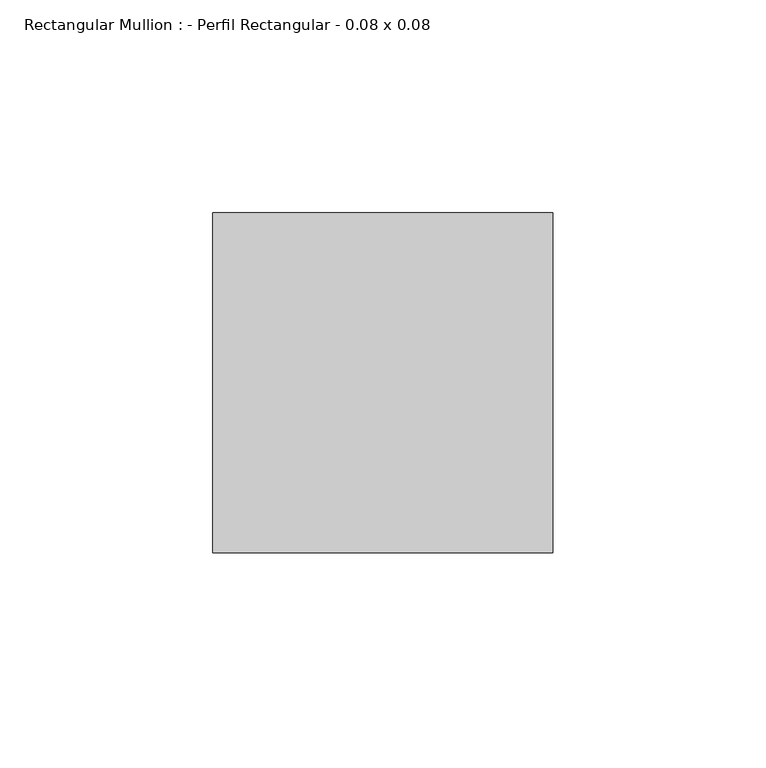
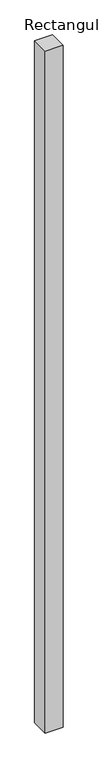
"""IFC4 building model written with IfcOpenShell, lengths in millimetres: member geometry, Rectangular Mullion : - Perfil Rectangular - 0.08 x 0.08."""

from ifc_helpers import new_model, si_unit, frame, origin, place, context, project, spatial, polyline, outline, extrude, source, transform, mapped, element, save


def rectangular_mullion_perfil_rectangular_0_08_x_0_08_1102a198(model_context):
    return source(origin(), model_context, "Body", "SweptSolid", [
        extrude(outline(polyline([(-80.0, 80.0), (0.0, 80.0), (0.0, 0.0), (-80.0, 0.0), (-80.0, 80.0)])), frame((0.0, 0.0, -3190.0), z_axis=(0.0, 0.0, 1.0), x_axis=(1.0, 0.0, 0.0)), (0.0, 0.0, 1.0), 3190.0),
    ])


if __name__ == "__main__":
    model = new_model("IFC4")
    model_context = context("Model", 3, world=origin())
    ifc_project = project(units=[si_unit("LENGTHUNIT", "METRE", prefix="MILLI")], contexts=[model_context])
    site = spatial("IfcSite", under=ifc_project)
    building = spatial("IfcBuilding", under=site)
    placement = place(None, origin())
    rectangular_mullion_perfil_rectangular_0_08_x_0_08_shape = rectangular_mullion_perfil_rectangular_0_08_x_0_08_1102a198(model_context)
    element("IfcMember", 1, ObjectType="Rectangular Mullion : - Perfil Rectangular - 0.08 x 0.08", at=placement, inside=building, context=model_context, shape_type="MappedRepresentation", body=[
        mapped(rectangular_mullion_perfil_rectangular_0_08_x_0_08_shape, transform((0.0, 0.0, 0.0), x_axis=(1.0, 0.0, 0.0), y_axis=(0.0, 1.0, 0.0), z_axis=(0.0, 0.0, 1.0))),
    ])
    save(model, "model.ifc")
